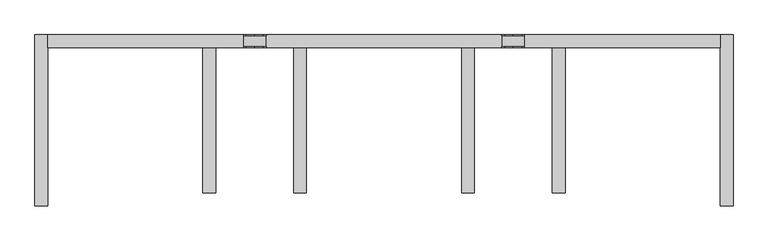
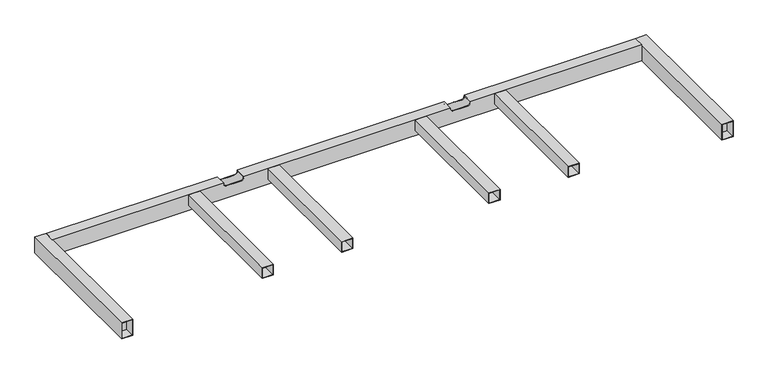
"""IFC4 building model written with IfcOpenShell, lengths in millimetres: furniture geometry."""

from ifc_helpers import new_model, si_unit, frame, origin, place, context, project, spatial, polyline, circle_curve, outline, extrude, source, transform, mapped, element, save
from ifc_brep_helpers import plane_surface, revolved_surface, advanced_brep


def furniture_8fb67047(model_context):
    return source(origin(), model_context, "Body", "SolidModel", [
        advanced_brep(
        [(1060.9822296, 230.0000056, 359.922434), (1060.9822296, 230.0000056, 299.9223263), (1060.9822296, 270.0000061, 299.9223263), (1060.9822296, 270.0000061, 359.922434), (1060.9822296, 268.0000023, 301.9086098), (1060.9822296, 232.0000018, 301.9086098), (1060.9822296, 232.0000018, 357.9224338), (1060.9822296, 268.0000023, 357.9224338), (-1060.9822296, 230.0000056, 359.922434), (-1060.9822296, 270.0000061, 359.922434), (-1060.9822296, 270.0000061, 299.9223263), (-1060.9822296, 230.0000056, 299.9223263), (-1060.9822296, 268.0000023, 301.9086098), (-1060.9822296, 268.0000023, 357.9224338), (-1060.9822296, 232.0000018, 357.9224338), (-1060.9822296, 232.0000018, 301.9086098), (443.9872732, 230.0000056, 359.922434), (443.9872732, 230.0000056, 356.6346058), (433.9872732, 230.0000056, 346.6346058), (407.9906244, 230.0000056, 346.6346058), (381.9939756, 230.0000056, 346.6346058), (371.9939756, 230.0000056, 356.6346058), (371.9939756, 230.0000056, 359.922434), (-371.9939756, 230.0000056, 359.922434), (-371.9939756, 230.0000056, 356.6346058), (-381.9939756, 230.0000056, 346.6346058), (-407.9906244, 230.0000056, 346.6346058), (-433.9872732, 230.0000056, 346.6346058), (-443.9872732, 230.0000056, 356.6346058), (-443.9872732, 230.0000056, 359.922434), (-443.9872732, 270.0000061, 359.922434), (-443.9872732, 270.0000061, 356.6346058), (-433.9872732, 270.0000061, 346.6346058), (-407.9906244, 270.0000061, 346.6346058), (-381.9939756, 270.0000061, 346.6346058), (-371.9939756, 270.0000061, 356.6346058), (-371.9939756, 270.0000061, 359.922434), (371.9939756, 270.0000061, 359.922434), (371.9939756, 270.0000061, 356.6346058), (381.9939756, 270.0000061, 346.6346058), (407.9906244, 270.0000061, 346.6346058), (433.9872732, 270.0000061, 346.6346058), (443.9872732, 270.0000061, 356.6346058), (443.9872732, 270.0000061, 359.922434), (-247.0204988, 270.0000061, 357.9224338), (-283.0091805, 270.0000061, 357.9224338), (-283.0091805, 270.0000061, 301.9086098), (-247.0204988, 270.0000061, 301.9086098), (-532.9720684, 270.0000061, 357.9224338), (-568.96075, 270.0000061, 357.9224338), (-568.96075, 270.0000061, 301.9086098), (-532.9720684, 270.0000061, 301.9086098), (283.0091805, 270.0000061, 357.9224338), (247.0204988, 270.0000061, 357.9224338), (247.0204988, 270.0000061, 301.9086098), (283.0091805, 270.0000061, 301.9086098), (568.96075, 270.0000061, 357.9224338), (532.9720684, 270.0000061, 357.9224338), (532.9720684, 270.0000061, 301.9086098), (568.96075, 270.0000061, 301.9086098), (568.96075, 268.0000023, 301.9086098), (532.9720684, 268.0000023, 301.9086098), (283.0091805, 268.0000023, 301.9086098), (247.0204988, 268.0000023, 301.9086098), (-247.0204988, 268.0000023, 301.9086098), (-283.0091805, 268.0000023, 301.9086098), (-532.9720684, 268.0000023, 301.9086098), (-568.96075, 268.0000023, 301.9086098), (-443.9872732, 232.0000018, 357.9224338), (-443.9872732, 232.0000018, 356.6346058), (-433.9872732, 232.0000018, 346.6346058), (-407.9906244, 232.0000018, 346.6346058), (-381.9939756, 232.0000018, 346.6346058), (-371.9939756, 232.0000018, 356.6346058), (-371.9939756, 232.0000018, 357.9224338), (371.9939756, 232.0000018, 357.9224338), (371.9939756, 232.0000018, 356.6346058), (381.9939756, 232.0000018, 346.6346058), (407.9906244, 232.0000018, 346.6346058), (433.9872732, 232.0000018, 346.6346058), (443.9872732, 232.0000018, 356.6346058), (443.9872732, 232.0000018, 357.9224338), (443.9872732, 268.0000023, 357.9224338), (532.9720684, 268.0000023, 357.9224338), (568.96075, 268.0000023, 357.9224338), (-568.96075, 268.0000023, 357.9224338), (-532.9720684, 268.0000023, 357.9224338), (-443.9872732, 268.0000023, 357.9224338), (-371.9939756, 268.0000023, 357.9224338), (-283.0091805, 268.0000023, 357.9224338), (-247.0204988, 268.0000023, 357.9224338), (247.0204988, 268.0000023, 357.9224338), (283.0091805, 268.0000023, 357.9224338), (371.9939756, 268.0000023, 357.9224338), (-381.9939756, 268.0000023, 346.6346058), (-407.9906244, 268.0000023, 346.6346058), (-433.9872732, 268.0000023, 346.6346058), (-443.9872732, 268.0000023, 356.6346058), (-371.9939756, 268.0000023, 356.6346058), (443.9872732, 268.0000023, 356.6346058), (433.9872732, 268.0000023, 346.6346058), (407.9906244, 268.0000023, 346.6346058), (381.9939756, 268.0000023, 346.6346058), (371.9939756, 268.0000023, 356.6346058)],
        [
            (0, 1),
            (1, 2),
            (2, 3),
            (3, 0),
            (4, 5),
            (5, 6),
            (6, 7),
            (7, 4),
            (8, 9),
            (9, 10),
            (10, 11),
            (11, 8),
            (12, 13),
            (13, 14),
            (14, 15),
            (15, 12),
            (0, 16),
            (16, 17),
            (17, 18, circle_curve(frame((433.9872732, 230.0000056, 356.6346058), z_axis=(0.0, 1.0, 0.0), x_axis=(-1.0, 0.0, 0.0)), 10.0)),
            (18, 19),
            (19, 20),
            (20, 21, circle_curve(frame((381.9939756, 230.0000056, 356.6346058), z_axis=(0.0, 1.0, 0.0), x_axis=(1.0, 0.0, 0.0)), 10.0)),
            (21, 22),
            (22, 23),
            (23, 24),
            (24, 25, circle_curve(frame((-381.9939756, 230.0000056, 356.6346058), z_axis=(0.0, 1.0, 0.0), x_axis=(-1.0, 0.0, 0.0)), 10.0)),
            (25, 26),
            (26, 27),
            (27, 28, circle_curve(frame((-433.9872732, 230.0000056, 356.6346058), z_axis=(0.0, 1.0, 0.0), x_axis=(1.0, 0.0, 0.0)), 10.0)),
            (28, 29),
            (29, 8),
            (11, 1),
            (10, 2),
            (9, 30),
            (30, 31),
            (31, 32, circle_curve(frame((-433.9872732, 270.0000061, 356.6346058), z_axis=(0.0, -1.0, 0.0), x_axis=(1.0, 0.0, 0.0)), 10.0)),
            (32, 33),
            (33, 34),
            (34, 35, circle_curve(frame((-381.9939756, 270.0000061, 356.6346058), z_axis=(0.0, -1.0, 0.0), x_axis=(-1.0, 0.0, 0.0)), 10.0)),
            (35, 36),
            (36, 37),
            (37, 38),
            (38, 39, circle_curve(frame((381.9939756, 270.0000061, 356.6346058), z_axis=(0.0, -1.0, 0.0), x_axis=(1.0, 0.0, 0.0)), 10.0)),
            (39, 40),
            (40, 41),
            (41, 42, circle_curve(frame((433.9872732, 270.0000061, 356.6346058), z_axis=(0.0, -1.0, 0.0), x_axis=(-1.0, 0.0, 0.0)), 10.0)),
            (42, 43),
            (43, 3),
            (44, 45),
            (45, 46),
            (46, 47),
            (47, 44),
            (48, 49),
            (49, 50),
            (50, 51),
            (51, 48),
            (52, 53),
            (53, 54),
            (54, 55),
            (55, 52),
            (56, 57),
            (57, 58),
            (58, 59),
            (59, 56),
            (43, 16),
            (29, 30),
            (36, 23),
            (22, 37),
            (4, 60),
            (60, 59),
            (58, 61),
            (61, 62),
            (62, 55),
            (54, 63),
            (63, 64),
            (64, 47),
            (46, 65),
            (65, 66),
            (66, 51),
            (50, 67),
            (67, 12),
            (15, 5),
            (14, 68),
            (68, 69),
            (69, 70, circle_curve(frame((-433.9872732, 232.0000018, 356.6346058), z_axis=(0.0, -1.0, 0.0), x_axis=(1.0, 0.0, 0.0)), 10.0)),
            (70, 71),
            (71, 72),
            (72, 73, circle_curve(frame((-381.9939756, 232.0000018, 356.6346058), z_axis=(0.0, -1.0, 0.0), x_axis=(-1.0, 0.0, 0.0)), 10.0)),
            (73, 74),
            (74, 75),
            (75, 76),
            (76, 77, circle_curve(frame((381.9939756, 232.0000018, 356.6346058), z_axis=(0.0, -1.0, 0.0), x_axis=(1.0, 0.0, 0.0)), 10.0)),
            (77, 78),
            (78, 79),
            (79, 80, circle_curve(frame((433.9872732, 232.0000018, 356.6346058), z_axis=(0.0, -1.0, 0.0), x_axis=(-1.0, 0.0, 0.0)), 10.0)),
            (80, 81),
            (81, 6),
            (81, 82),
            (82, 83),
            (83, 57),
            (56, 84),
            (84, 7),
            (13, 85),
            (85, 49),
            (48, 86),
            (86, 87),
            (87, 68),
            (74, 88),
            (88, 89),
            (89, 45),
            (44, 90),
            (90, 91),
            (91, 53),
            (52, 92),
            (92, 93),
            (93, 75),
            (84, 60),
            (67, 85),
            (94, 95),
            (95, 96),
            (96, 97, circle_curve(frame((-433.9872732, 268.0000023, 356.6346058), z_axis=(0.0, 1.0, 0.0), x_axis=(1.0, 0.0, 0.0)), 10.0)),
            (97, 87),
            (86, 66),
            (65, 89),
            (88, 98),
            (98, 94, circle_curve(frame((-381.9939756, 268.0000023, 356.6346058), z_axis=(0.0, 1.0, 0.0), x_axis=(-1.0, 0.0, 0.0)), 10.0)),
            (90, 64),
            (63, 91),
            (92, 62),
            (61, 83),
            (82, 99),
            (99, 100, circle_curve(frame((433.9872732, 268.0000023, 356.6346058), z_axis=(0.0, 1.0, 0.0), x_axis=(-1.0, 0.0, 0.0)), 10.0)),
            (100, 101),
            (101, 102),
            (102, 103, circle_curve(frame((381.9939756, 268.0000023, 356.6346058), z_axis=(0.0, 1.0, 0.0), x_axis=(1.0, 0.0, 0.0)), 10.0)),
            (103, 93),
            (71, 26),
            (25, 72),
            (33, 95),
            (94, 34),
            (24, 73),
            (98, 35),
            (28, 69),
            (97, 31),
            (70, 27),
            (32, 96),
            (78, 19),
            (18, 79),
            (40, 101),
            (100, 41),
            (17, 80),
            (99, 42),
            (21, 76),
            (103, 38),
            (77, 20),
            (39, 102),
        ],
        [
            plane_surface(frame((1060.9822296, 230.0000056, 319.6891771), z_axis=(1.0, 0.0, 0.0), x_axis=(0.0, 0.0, -1.0))),
            plane_surface(frame((-1060.9822296, 230.0000056, 319.6891771), z_axis=(-1.0, 0.0, 0.0), x_axis=(0.0, 0.0, 1.0))),
            plane_surface(frame((1060.9822296, 230.0000056, 359.922434), z_axis=(0.0, -1.0, 0.0), x_axis=(-1.0, 0.0, 0.0))),
            plane_surface(frame((1060.9822296, 230.0000056, 299.9223263), z_axis=(0.0, 0.0, -1.0), x_axis=(-1.0, 0.0, 0.0))),
            plane_surface(frame((1060.9822296, 270.0000061, 299.9223263), z_axis=(0.0, 1.0, 0.0), x_axis=(-1.0, 0.0, 0.0))),
            plane_surface(frame((1060.9822296, 270.0000061, 359.922434), z_axis=(0.0, 0.0, 1.0), x_axis=(-1.0, 0.0, 0.0))),
            plane_surface(frame((1060.9822296, 268.0000023, 301.9086098), z_axis=(0.0, 0.0, 1.0), x_axis=(-1.0, 0.0, 0.0))),
            plane_surface(frame((1060.9822296, 232.0000018, 301.9086098), z_axis=(0.0, 1.0, 0.0), x_axis=(-1.0, 0.0, 0.0))),
            plane_surface(frame((1060.9822296, 232.0000018, 357.9224338), z_axis=(0.0, 0.0, -1.0), x_axis=(-1.0, 0.0, 0.0))),
            plane_surface(frame((1060.9822296, 268.0000023, 357.9224338), z_axis=(0.0, -1.0, 0.0), x_axis=(-1.0, 0.0, 0.0))),
            plane_surface(frame((-407.9906244, -287.5262628, 346.6346058), z_axis=(0.0, 0.0, 1.0), x_axis=(0.0, 1.0, 0.0))),
            revolved_surface(polyline([(-391.9939756, 230.0000056, 356.6346058), (-391.9939756, 232.0000018, 356.6346058)]), (-381.9939756, 314.3107458, 356.6346058), (0.0, -1.0, 0.0)),
            revolved_surface(polyline([(-391.9939756, 268.0000023, 356.6346058), (-391.9939756, 270.0000061, 356.6346058)]), (-381.9939756, 314.3107458, 356.6346058), (0.0, -1.0, 0.0)),
            plane_surface(frame((-371.9939756, -287.5262628, 356.6346058), z_axis=(-1.0, 0.0, 0.0), x_axis=(0.0, 1.0, 0.0))),
            plane_surface(frame((-443.9872732, -287.5262628, 378.869628), z_axis=(1.0, 0.0, 0.0), x_axis=(0.0, 1.0, 0.0))),
            plane_surface(frame((-433.9872732, -287.5262628, 346.6346058), z_axis=(0.0, 0.0, 1.0), x_axis=(0.0, 1.0, 0.0))),
            revolved_surface(polyline([(-423.9872732, 230.0000056, 356.6346058), (-423.9872732, 232.0000018, 356.6346058)]), (-433.9872732, 314.3107458, 356.6346058), (0.0, -1.0, 0.0)),
            revolved_surface(polyline([(-423.9872732, 268.0000023, 356.6346058), (-423.9872732, 270.0000061, 356.6346058)]), (-433.9872732, 314.3107458, 356.6346058), (0.0, -1.0, 0.0)),
            plane_surface(frame((-247.0204988, 282.4008656, 357.9224338), z_axis=(-1.0, 0.0, 0.0), x_axis=(0.0, -1.0, 0.0))),
            plane_surface(frame((-283.0091805, 282.4008656, 301.9086098), z_axis=(1.0, 0.0, 0.0), x_axis=(0.0, -1.0, 0.0))),
            plane_surface(frame((-568.96075, 282.4008656, 301.9086098), z_axis=(1.0, 0.0, 0.0), x_axis=(0.0, -1.0, 0.0))),
            plane_surface(frame((-532.9720684, 282.4008656, 357.9224338), z_axis=(-1.0, 0.0, 0.0), x_axis=(0.0, -1.0, 0.0))),
            plane_surface(frame((247.0204988, 282.4008656, 301.9086098), z_axis=(1.0, 0.0, 0.0), x_axis=(0.0, -1.0, 0.0))),
            plane_surface(frame((283.0091805, 282.4008656, 357.9224338), z_axis=(-1.0, 0.0, 0.0), x_axis=(0.0, -1.0, 0.0))),
            plane_surface(frame((407.9906244, -287.5262628, 346.6346058), z_axis=(0.0, 0.0, 1.0), x_axis=(0.0, 1.0, 0.0))),
            revolved_surface(polyline([(423.9872732, 230.0000056, 356.6346058), (423.9872732, 232.0000018, 356.6346058)]), (433.9872732, 314.3107458, 356.6346058), (0.0, -1.0, 0.0)),
            revolved_surface(polyline([(423.9872732, 268.0000023, 356.6346058), (423.9872732, 270.0000061, 356.6346058)]), (433.9872732, 314.3107458, 356.6346058), (0.0, -1.0, 0.0)),
            plane_surface(frame((443.9872732, -287.5262628, 356.6346058), z_axis=(-1.0, 0.0, 0.0), x_axis=(0.0, 1.0, 0.0))),
            plane_surface(frame((371.9939756, -287.5262628, 378.869628), z_axis=(1.0, 0.0, 0.0), x_axis=(0.0, 1.0, 0.0))),
            plane_surface(frame((381.9939756, -287.5262628, 346.6346058), z_axis=(0.0, 0.0, 1.0), x_axis=(0.0, 1.0, 0.0))),
            revolved_surface(polyline([(391.9939756, 230.0000056, 356.6346058), (391.9939756, 232.0000018, 356.6346058)]), (381.9939756, 314.3107458, 356.6346058), (0.0, -1.0, 0.0)),
            revolved_surface(polyline([(391.9939756, 268.0000023, 356.6346058), (391.9939756, 270.0000061, 356.6346058)]), (381.9939756, 314.3107458, 356.6346058), (0.0, -1.0, 0.0)),
            plane_surface(frame((568.96075, 282.4008656, 357.9224338), z_axis=(-1.0, 0.0, 0.0), x_axis=(0.0, -1.0, 0.0))),
            plane_surface(frame((532.9720684, 282.4008656, 301.9086098), z_axis=(1.0, 0.0, 0.0), x_axis=(0.0, -1.0, 0.0))),
        ],
        [
            (0, [[1, 2, 3, 4], [5, 6, 7, 8]]),
            (1, [[9, 10, 11, 12], [13, 14, 15, 16]]),
            (2, [[-1, 17, 18, 19, 20, 21, 22, 23, 24, 25, 26, 27, 28, 29, 30, 31, -12, 32]]),
            (3, [[-2, -32, -11, 33]]),
            (4, [[-3, -33, -10, 34, 35, 36, 37, 38, 39, 40, 41, 42, 43, 44, 45, 46, 47, 48], [49, 50, 51, 52], [53, 54, 55, 56], [57, 58, 59, 60], [61, 62, 63, 64]]),
            (5, [[-4, -48, 65, -17]]),
            (5, [[-9, -31, 66, -34]]),
            (5, [[67, -24, 68, -41]]),
            (6, [[-5, 69, 70, -63, 71, 72, 73, -59, 74, 75, 76, -51, 77, 78, 79, -55, 80, 81, -16, 82]]),
            (7, [[-6, -82, -15, 83, 84, 85, 86, 87, 88, 89, 90, 91, 92, 93, 94, 95, 96, 97]]),
            (8, [[-7, -97, 98, 99, 100, -61, 101, 102]]),
            (8, [[-14, 103, 104, -53, 105, 106, 107, -83]]),
            (8, [[108, 109, 110, -49, 111, 112, 113, -57, 114, 115, 116, -90]]),
            (9, [[-8, -102, 117, -69]]),
            (9, [[-13, -81, 118, -103]]),
            (9, [[119, 120, 121, 122, -106, 123, -78, 124, -109, 125, 126]]),
            (9, [[127, -75, 128, -112]]),
            (9, [[129, -72, 130, -99, 131, 132, 133, 134, 135, 136, -115]]),
            (10, [[137, -27, 138, -87]]),
            (10, [[139, -119, 140, -38]]),
            (11, [[-138, -26, 141, -88]]),
            (12, [[-140, -126, 142, -39]]),
            (13, [[-141, -25, -67, -40, -142, -125, -108, -89]]),
            (14, [[143, -84, -107, -122, 144, -35, -66, -30]]),
            (15, [[-137, -86, 145, -28]]),
            (15, [[-139, -37, 146, -120]]),
            (16, [[-145, -85, -143, -29]]),
            (17, [[-146, -36, -144, -121]]),
            (18, [[-111, -52, -76, -127]]),
            (19, [[-110, -124, -77, -50]]),
            (20, [[-104, -118, -80, -54]]),
            (21, [[-79, -123, -105, -56]]),
            (22, [[-113, -128, -74, -58]]),
            (23, [[-73, -129, -114, -60]]),
            (24, [[147, -20, 148, -94]]),
            (24, [[149, -133, 150, -45]]),
            (25, [[-148, -19, 151, -95]]),
            (26, [[-150, -132, 152, -46]]),
            (27, [[-151, -18, -65, -47, -152, -131, -98, -96]]),
            (28, [[153, -91, -116, -136, 154, -42, -68, -23]]),
            (29, [[-147, -93, 155, -21]]),
            (29, [[-149, -44, 156, -134]]),
            (30, [[-155, -92, -153, -22]]),
            (31, [[-156, -43, -154, -135]]),
            (32, [[-101, -64, -70, -117]]),
            (33, [[-100, -130, -71, -62]]),
        ],
    ),
        extrude(outline(polyline([(1062.967846, -236.0000008), (1062.967846, -232.0000015), (1098.9565276, -232.0000015), (1098.9565276, -236.0000008), (1062.967846, -236.0000008)])), frame((0.0, 0.0, 301.9086098), z_axis=(0.0, 0.0, 1.0), x_axis=(1.0, 0.0, 0.0)), (0.0, 0.0, 1.0), 56.013824),
        extrude(outline(polyline([(1062.967846, 236.0000008), (1098.9565276, 236.0000008), (1098.9565276, 232.0000015), (1062.967846, 232.0000015), (1062.967846, 236.0000008)])), frame((0.0, 0.0, 301.9086098), z_axis=(0.0, 0.0, 1.0), x_axis=(1.0, 0.0, 0.0)), (0.0, 0.0, 1.0), 56.013824),
        extrude(outline(polyline([(359.922434, 1060.9822296), (299.9223263, 1060.9822296), (299.9223263, 1100.9760457), (359.922434, 1100.9760457), (359.922434, 1060.9822296)]), holes=[polyline([(301.9086098, 1098.9565276), (301.9086098, 1062.967846), (357.9224338, 1062.967846), (357.9224338, 1098.9565276), (301.9086098, 1098.9565276)])]), frame((0.0, -269.9999939, 0.0), z_axis=(0.0, 1.0, 0.0), x_axis=(0.0, 0.0, 1.0)), (0.0, 0.0, 1.0), 540.0),
        extrude(outline(polyline([(359.922434, 530.986452), (319.6891771, 530.986452), (319.6891771, 570.9802681), (359.922434, 570.9802681), (359.922434, 530.986452)]), holes=[polyline([(321.6754606, 568.96075), (321.6754606, 532.9720684), (357.9224338, 532.9720684), (357.9224338, 568.96075), (321.6754606, 568.96075)])]), frame((0.0, -229.9999925, 0.0), z_axis=(0.0, 1.0, 0.0), x_axis=(0.0, 0.0, 1.0)), (0.0, 0.0, 1.0), 459.9999981),
        extrude(outline(polyline([(359.922434, 284.9947968), (359.922434, 245.0009808), (319.6891771, 245.0009808), (319.6891771, 284.9947968), (359.922434, 284.9947968)]), holes=[polyline([(321.6754606, 247.0204988), (357.9224338, 247.0204988), (357.9224338, 283.0091805), (321.6754606, 283.0091805), (321.6754606, 247.0204988)])]), frame((0.0, -229.9999925, 0.0), z_axis=(0.0, 1.0, 0.0), x_axis=(0.0, 0.0, 1.0)), (0.0, 0.0, 1.0), 459.9999981),
        extrude(outline(polyline([(-1062.967846, -236.0000008), (-1098.9565276, -236.0000008), (-1098.9565276, -232.0000015), (-1062.967846, -232.0000015), (-1062.967846, -236.0000008)])), frame((0.0, 0.0, 301.9086098), z_axis=(0.0, 0.0, 1.0), x_axis=(1.0, 0.0, 0.0)), (0.0, 0.0, 1.0), 56.013824),
        extrude(outline(polyline([(-1062.967846, 236.0000008), (-1062.967846, 232.0000015), (-1098.9565276, 232.0000015), (-1098.9565276, 236.0000008), (-1062.967846, 236.0000008)])), frame((0.0, 0.0, 301.9086098), z_axis=(0.0, 0.0, 1.0), x_axis=(1.0, 0.0, 0.0)), (0.0, 0.0, 1.0), 56.013824),
        extrude(outline(polyline([(359.922434, -284.9947968), (319.6891771, -284.9947968), (319.6891771, -245.0009808), (359.922434, -245.0009808), (359.922434, -284.9947968)]), holes=[polyline([(321.6754606, -247.0204988), (321.6754606, -283.0091805), (357.9224338, -283.0091805), (357.9224338, -247.0204988), (321.6754606, -247.0204988)])]), frame((0.0, -229.9999925, 0.0), z_axis=(0.0, 1.0, 0.0), x_axis=(0.0, 0.0, 1.0)), (0.0, 0.0, 1.0), 459.9999981),
        extrude(outline(polyline([(359.922434, -530.986452), (359.922434, -570.9802681), (319.6891771, -570.9802681), (319.6891771, -530.986452), (359.922434, -530.986452)]), holes=[polyline([(321.6754606, -568.96075), (357.9224338, -568.96075), (357.9224338, -532.9720684), (321.6754606, -532.9720684), (321.6754606, -568.96075)])]), frame((0.0, -229.9999925, 0.0), z_axis=(0.0, 1.0, 0.0), x_axis=(0.0, 0.0, 1.0)), (0.0, 0.0, 1.0), 459.9999981),
        extrude(outline(polyline([(359.922434, -1060.9822296), (359.922434, -1100.9760457), (299.9223263, -1100.9760457), (299.9223263, -1060.9822296), (359.922434, -1060.9822296)]), holes=[polyline([(301.9086098, -1098.9565276), (357.9224338, -1098.9565276), (357.9224338, -1062.967846), (301.9086098, -1062.967846), (301.9086098, -1098.9565276)])]), frame((0.0, -269.9999939, 0.0), z_axis=(0.0, 1.0, 0.0), x_axis=(0.0, 0.0, 1.0)), (0.0, 0.0, 1.0), 540.0),
    ])


if __name__ == "__main__":
    model = new_model("IFC4")
    model_context = context("Model", 3, world=origin())
    ifc_project = project(units=[si_unit("LENGTHUNIT", "METRE", prefix="MILLI")], contexts=[model_context])
    site = spatial("IfcSite", under=ifc_project)
    building = spatial("IfcBuilding", under=site)
    placement = place(None, origin())
    furniture_shape = furniture_8fb67047(model_context)
    element("IfcFurniture", 1, at=placement, inside=building, context=model_context, shape_type="MappedRepresentation", body=[
        mapped(furniture_shape, transform((0.0, 0.0, 0.0), x_axis=(1.0, 0.0, 0.0), y_axis=(0.0, 1.0, 0.0), z_axis=(0.0, 0.0, 1.0))),
    ])
    save(model, "model.ifc")
